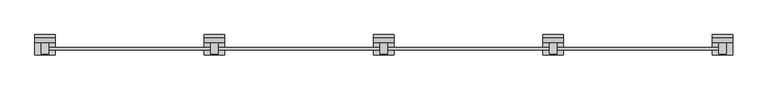
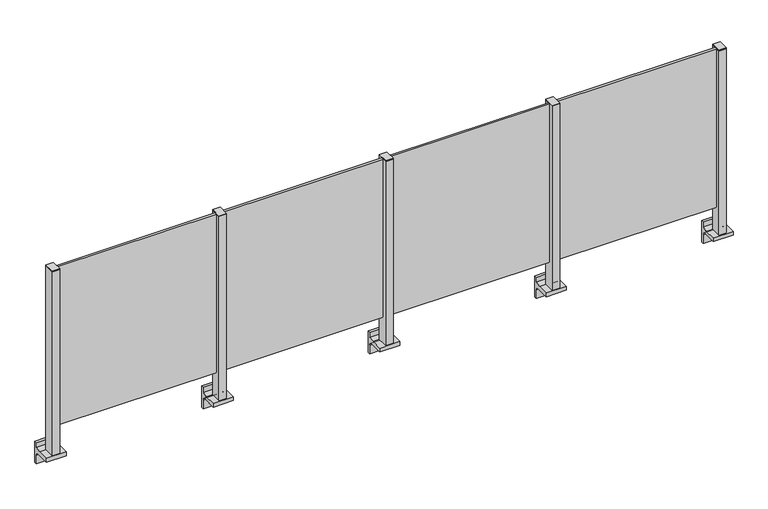
"""IFC4 building model written with IfcOpenShell, lengths in millimetres: railing geometry."""

from ifc_helpers import new_model, si_unit, point, frame, frame_2d, origin, place, context, project, spatial, polyline, circle_curve, trimmed, segment, composite_curve, outline, extrude, source, transform, mapped, element, save


def railing_0e48efdd(model_context):
    return source(origin(), model_context, "Body", "SweptSolid", [
        extrude(outline(polyline([(45010.0, 2310.3094929), (45010.0, 2323.5094929), (45990.0, 2323.5094929), (45990.0, 2310.3094929), (45010.0, 2310.3094929)])), frame((0.0, 0.0, 95.0), z_axis=(0.0, 0.0, 1.0), x_axis=(1.0, 0.0, 0.0)), (0.0, 0.0, 1.0), 1005.0),
        extrude(outline(composite_curve([segment(polyline([(2350.1846828, -70.0), (2384.1846828, -63.0), (2384.1846828, -32.5), (2400.1846828, -32.5), (2400.1846828, -167.5), (2384.1846828, -167.5), (2384.1846828, -113.5)]), True, "CONTINUOUS"), segment(trimmed(circle_curve(frame_2d((2364.1846828, -113.5)), 20.0), [point((2384.1846828, -113.5))], [point((2364.1846828, -93.5))], True, "CARTESIAN"), True, "CONTINUOUS"), segment(polyline([(2364.1846828, -93.5), (2280.1846828, -93.5), (2280.1846828, -70.0), (2350.1846828, -70.0)]), True, "CONTINUOUS")], self_intersect=False)), frame((44940.0, 0.0, 0.0), z_axis=(1.0, 0.0, 0.0), x_axis=(0.0, 1.0, 0.0)), (0.0, 0.0, 1.0), 120.0),
        extrude(outline(polyline([(45022.5, 2350.1846828), (45022.5, 2285.1846828), (44977.5, 2285.1846828), (44977.5, 2350.1846828), (45022.5, 2350.1846828)])), frame((0.0, 0.0, -70.0), z_axis=(0.0, 0.0, 1.0), x_axis=(1.0, 0.0, 0.0)), (0.0, 0.0, 1.0), 1170.0),
        extrude(outline(polyline([(45022.5, 2350.1846828), (45022.5, 2285.1846828), (44977.5, 2285.1846828), (44977.5, 2350.1846828), (45022.5, 2350.1846828)])), frame((0.0, 0.0, 1100.0), z_axis=(0.0, 0.0, 1.0), x_axis=(1.0, 0.0, 0.0)), (0.0, 0.0, 1.0), 5.0),
        extrude(outline(polyline([(44010.0, 2310.3094929), (44010.0, 2323.5094929), (44990.0, 2323.5094929), (44990.0, 2310.3094929), (44010.0, 2310.3094929)])), frame((0.0, 0.0, 95.0), z_axis=(0.0, 0.0, 1.0), x_axis=(1.0, 0.0, 0.0)), (0.0, 0.0, 1.0), 1005.0),
        extrude(outline(composite_curve([segment(polyline([(2350.1846828, -70.0), (2384.1846828, -63.0), (2384.1846828, -32.5), (2400.1846828, -32.5), (2400.1846828, -167.5), (2384.1846828, -167.5), (2384.1846828, -113.5)]), True, "CONTINUOUS"), segment(trimmed(circle_curve(frame_2d((2364.1846828, -113.5)), 20.0), [point((2384.1846828, -113.5))], [point((2364.1846828, -93.5))], True, "CARTESIAN"), True, "CONTINUOUS"), segment(polyline([(2364.1846828, -93.5), (2280.1846828, -93.5), (2280.1846828, -70.0), (2350.1846828, -70.0)]), True, "CONTINUOUS")], self_intersect=False)), frame((43940.0, 0.0, 0.0), z_axis=(1.0, 0.0, 0.0), x_axis=(0.0, 1.0, 0.0)), (0.0, 0.0, 1.0), 120.0),
        extrude(outline(polyline([(44022.5, 2350.1846828), (44022.5, 2285.1846828), (43977.5, 2285.1846828), (43977.5, 2350.1846828), (44022.5, 2350.1846828)])), frame((0.0, 0.0, -70.0), z_axis=(0.0, 0.0, 1.0), x_axis=(1.0, 0.0, 0.0)), (0.0, 0.0, 1.0), 1170.0),
        extrude(outline(polyline([(44022.5, 2350.1846828), (44022.5, 2285.1846828), (43977.5, 2285.1846828), (43977.5, 2350.1846828), (44022.5, 2350.1846828)])), frame((0.0, 0.0, 1100.0), z_axis=(0.0, 0.0, 1.0), x_axis=(1.0, 0.0, 0.0)), (0.0, 0.0, 1.0), 5.0),
        extrude(outline(polyline([(43010.0, 2310.3094929), (43010.0, 2323.5094929), (43990.0, 2323.5094929), (43990.0, 2310.3094929), (43010.0, 2310.3094929)])), frame((0.0, 0.0, 95.0), z_axis=(0.0, 0.0, 1.0), x_axis=(1.0, 0.0, 0.0)), (0.0, 0.0, 1.0), 1005.0),
        extrude(outline(composite_curve([segment(polyline([(2350.1846828, -70.0), (2384.1846828, -63.0), (2384.1846828, -32.5), (2400.1846828, -32.5), (2400.1846828, -167.5), (2384.1846828, -167.5), (2384.1846828, -113.5)]), True, "CONTINUOUS"), segment(trimmed(circle_curve(frame_2d((2364.1846828, -113.5)), 20.0), [point((2384.1846828, -113.5))], [point((2364.1846828, -93.5))], True, "CARTESIAN"), True, "CONTINUOUS"), segment(polyline([(2364.1846828, -93.5), (2280.1846828, -93.5), (2280.1846828, -70.0), (2350.1846828, -70.0)]), True, "CONTINUOUS")], self_intersect=False)), frame((42940.0, 0.0, 0.0), z_axis=(1.0, 0.0, 0.0), x_axis=(0.0, 1.0, 0.0)), (0.0, 0.0, 1.0), 120.0),
        extrude(outline(polyline([(43022.5, 2350.1846828), (43022.5, 2285.1846828), (42977.5, 2285.1846828), (42977.5, 2350.1846828), (43022.5, 2350.1846828)])), frame((0.0, 0.0, -70.0), z_axis=(0.0, 0.0, 1.0), x_axis=(1.0, 0.0, 0.0)), (0.0, 0.0, 1.0), 1170.0),
        extrude(outline(polyline([(43022.5, 2350.1846828), (43022.5, 2285.1846828), (42977.5, 2285.1846828), (42977.5, 2350.1846828), (43022.5, 2350.1846828)])), frame((0.0, 0.0, 1100.0), z_axis=(0.0, 0.0, 1.0), x_axis=(1.0, 0.0, 0.0)), (0.0, 0.0, 1.0), 5.0),
        extrude(outline(polyline([(42010.0, 2310.3094929), (42010.0, 2323.5094929), (42990.0, 2323.5094929), (42990.0, 2310.3094929), (42010.0, 2310.3094929)])), frame((0.0, 0.0, 95.0), z_axis=(0.0, 0.0, 1.0), x_axis=(1.0, 0.0, 0.0)), (0.0, 0.0, 1.0), 1005.0),
        extrude(outline(composite_curve([segment(polyline([(2350.1846828, -70.0), (2384.1846828, -63.0), (2384.1846828, -32.5), (2400.1846828, -32.5), (2400.1846828, -167.5), (2384.1846828, -167.5), (2384.1846828, -113.5)]), True, "CONTINUOUS"), segment(trimmed(circle_curve(frame_2d((2364.1846828, -113.5)), 20.0), [point((2384.1846828, -113.5))], [point((2364.1846828, -93.5))], True, "CARTESIAN"), True, "CONTINUOUS"), segment(polyline([(2364.1846828, -93.5), (2280.1846828, -93.5), (2280.1846828, -70.0), (2350.1846828, -70.0)]), True, "CONTINUOUS")], self_intersect=False)), frame((45940.0, 0.0, 0.0), z_axis=(1.0, 0.0, 0.0), x_axis=(0.0, 1.0, 0.0)), (0.0, 0.0, 1.0), 120.0),
        extrude(outline(polyline([(46022.5, 2350.1846828), (46022.5, 2285.1846828), (45977.5, 2285.1846828), (45977.5, 2350.1846828), (46022.5, 2350.1846828)])), frame((0.0, 0.0, -70.0), z_axis=(0.0, 0.0, 1.0), x_axis=(1.0, 0.0, 0.0)), (0.0, 0.0, 1.0), 1170.0),
        extrude(outline(polyline([(46022.5, 2350.1846828), (46022.5, 2285.1846828), (45977.5, 2285.1846828), (45977.5, 2350.1846828), (46022.5, 2350.1846828)])), frame((0.0, 0.0, 1100.0), z_axis=(0.0, 0.0, 1.0), x_axis=(1.0, 0.0, 0.0)), (0.0, 0.0, 1.0), 5.0),
        extrude(outline(composite_curve([segment(polyline([(2350.1846828, -70.0), (2384.1846828, -63.0), (2384.1846828, -32.5), (2400.1846828, -32.5), (2400.1846828, -167.5), (2384.1846828, -167.5), (2384.1846828, -113.5)]), True, "CONTINUOUS"), segment(trimmed(circle_curve(frame_2d((2364.1846828, -113.5)), 20.0), [point((2384.1846828, -113.5))], [point((2364.1846828, -93.5))], True, "CARTESIAN"), True, "CONTINUOUS"), segment(polyline([(2364.1846828, -93.5), (2280.1846828, -93.5), (2280.1846828, -70.0), (2350.1846828, -70.0)]), True, "CONTINUOUS")], self_intersect=False)), frame((41940.0, 0.0, 0.0), z_axis=(1.0, 0.0, 0.0), x_axis=(0.0, 1.0, 0.0)), (0.0, 0.0, 1.0), 120.0),
        extrude(outline(polyline([(42022.5, 2350.1846828), (42022.5, 2285.1846828), (41977.5, 2285.1846828), (41977.5, 2350.1846828), (42022.5, 2350.1846828)])), frame((0.0, 0.0, -70.0), z_axis=(0.0, 0.0, 1.0), x_axis=(1.0, 0.0, 0.0)), (0.0, 0.0, 1.0), 1170.0),
        extrude(outline(polyline([(42022.5, 2350.1846828), (42022.5, 2285.1846828), (41977.5, 2285.1846828), (41977.5, 2350.1846828), (42022.5, 2350.1846828)])), frame((0.0, 0.0, 1100.0), z_axis=(0.0, 0.0, 1.0), x_axis=(1.0, 0.0, 0.0)), (0.0, 0.0, 1.0), 5.0),
    ])


if __name__ == "__main__":
    model = new_model("IFC4")
    model_context = context("Model", 3, world=origin())
    ifc_project = project(units=[si_unit("LENGTHUNIT", "METRE", prefix="MILLI")], contexts=[model_context])
    site = spatial("IfcSite", under=ifc_project)
    building = spatial("IfcBuilding", under=site)
    placement = place(None, origin())
    railing_shape = railing_0e48efdd(model_context)
    element("IfcRailing", 1, at=placement, inside=building, context=model_context, shape_type="MappedRepresentation", body=[
        mapped(railing_shape, transform((0.0, 0.0, 0.0), x_axis=(1.0, 0.0, 0.0), y_axis=(0.0, 1.0, 0.0), z_axis=(0.0, 0.0, 1.0))),
    ])
    save(model, "model.ifc")
